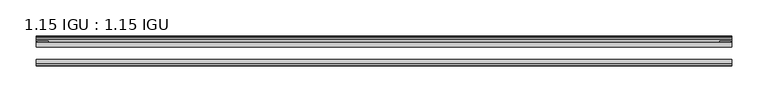
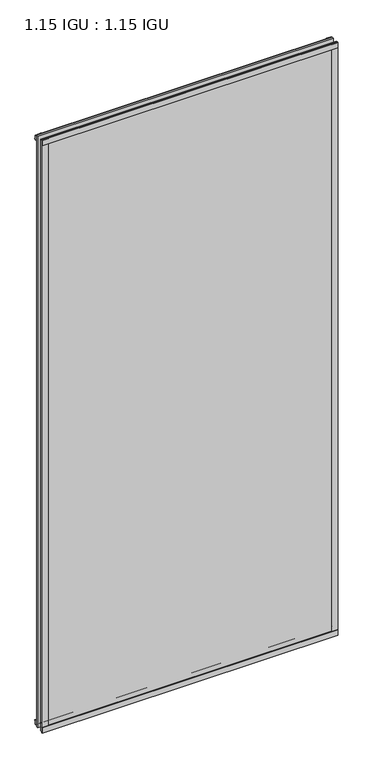
"""IFC4 building model written with IfcOpenShell, lengths in millimetres: plate geometry, 1.15 IGU : 1.15 IGU."""

from ifc_helpers import new_model, si_unit, point, frame, frame_2d, origin, place, context, project, spatial, polyline, circle_curve, trimmed, segment, composite_curve, outline, extrude, source, transform, mapped, element, save


def plate_1_15_igu_1_15_igu_82e26c2d(model_context):
    return source(origin(), model_context, "Body", "SweptSolid", [
        extrude(outline(polyline([(481.33, 0.0), (481.33, -6.2992), (-481.33, -6.2992), (-481.33, 0.0), (481.33, 0.0)])), frame((0.0, 0.0, -15.875), z_axis=(0.0, 0.0, 1.0), x_axis=(1.0, 0.0, 0.0)), (0.0, 0.0, 1.0), 2033.5830337),
        extrude(outline(polyline([(-481.33, -23.1648), (481.33, -23.1648), (481.33, -29.464), (-481.33, -29.464), (-481.33, -23.1648)])), frame((0.0, 0.0, -15.875), z_axis=(0.0, 0.0, 1.0), x_axis=(1.0, 0.0, 0.0)), (0.0, 0.0, 1.0), 2033.5830337),
        extrude(outline(polyline([(-481.33, -31.75), (-481.33, -29.464), (481.33, -29.464), (481.33, -31.75), (-481.33, -31.75)])), frame((0.0, 0.0, -19.05), z_axis=(0.0, 0.0, 1.0), x_axis=(1.0, 0.0, 0.0)), (0.0, 0.0, 1.0), 19.05),
        extrude(outline(composite_curve([segment(trimmed(circle_curve(frame_2d((13.6593785, 32.4202472)), 31.3046461), [point((0.0, 4.2528503))], [point((9.3980339, 1.406995))], True, "CARTESIAN"), True, "CONTINUOUS"), segment(polyline([(9.3980339, 1.406995), (9.3980339, 0.0254), (6.35, 0.0254), (6.35, -5.1625788), (7.7309478, -5.3970663), (6.35, -8.0073788), (6.35, -11.8471127)]), True, "CONTINUOUS"), segment(trimmed(circle_curve(frame_2d((5.334, -11.8471127)), 1.016), [point((6.35, -11.8471127))], [point((4.6284878, -12.5782136))], False, "CARTESIAN"), True, "CONTINUOUS"), segment(trimmed(circle_curve(frame_2d((-23.3689302, -41.5910901)), 40.3187601), [point((4.6284878, -12.5782136))], [point((0.0, -8.735413))], True, "CARTESIAN"), True, "CONTINUOUS"), segment(polyline([(0.0, -8.735413), (0.0, 4.2528503)]), True, "CONTINUOUS")], self_intersect=False)), frame((-481.33, 0.0, 0.0), z_axis=(1.0, 0.0, 0.0), x_axis=(0.0, 1.0, 0.0)), (0.0, 0.0, 1.0), 962.66),
        extrude(outline(composite_curve([segment(trimmed(circle_curve(frame_2d((-23.3689302, 2041.8747237)), 40.3187601), [point((0.0, 2009.0190467))], [point((4.9746073, 2013.1998864))], True, "CARTESIAN"), True, "CONTINUOUS"), segment(trimmed(circle_curve(frame_2d((5.8674, 2012.2966582)), 1.27), [point((4.9746073, 2013.1998864))], [point((7.1374, 2012.2966582))], False, "CARTESIAN"), True, "CONTINUOUS"), segment(polyline([(7.1374, 2012.2966582), (7.1374, 2007.8958505), (7.7309478, 2005.6806999), (6.35, 2005.4462125), (6.35, 2000.2582337), (9.3980339, 2000.2582337), (9.3980339, 1998.8766387)]), True, "CONTINUOUS"), segment(trimmed(circle_curve(frame_2d((13.6593785, 1967.8633864)), 31.3046461), [point((9.3980339, 1998.8766387))], [point((0.0, 1996.0307834))], True, "CARTESIAN"), True, "CONTINUOUS"), segment(polyline([(0.0, 1996.0307834), (0.0, 2009.0190467)]), True, "CONTINUOUS")], self_intersect=False)), frame((-481.33, 0.0, 0.0), z_axis=(1.0, 0.0, 0.0), x_axis=(0.0, 1.0, 0.0)), (0.0, 0.0, 1.0), 962.66),
        extrude(outline(polyline([(-481.33, -31.75), (-481.33, -29.464), (481.33, -29.464), (481.33, -31.75), (-481.33, -31.75)])), frame((0.0, 0.0, 2000.2582337), z_axis=(0.0, 0.0, 1.0), x_axis=(1.0, 0.0, 0.0)), (0.0, 0.0, 1.0), 19.05),
        extrude(outline(polyline([(462.28, -29.464), (481.33, -29.464), (481.33, -31.75), (462.28, -31.75), (462.28, -29.464)])), frame((0.0, 0.0, -15.875), z_axis=(0.0, 0.0, 1.0), x_axis=(1.0, 0.0, 0.0)), (0.0, 0.0, 1.0), 2033.5830337),
        extrude(outline(polyline([(480.1235, 2.2860088), (480.1235, 0.0021347), (464.2485, 0.0021347), (464.2485, 2.2860088), (480.1235, 2.2860088)])), frame((0.0, 0.0, -15.875), z_axis=(0.0, 0.0, 1.0), x_axis=(1.0, 0.0, 0.0)), (0.0, 0.0, 1.0), 2033.5830337),
        extrude(outline(polyline([(-481.33, -31.75), (-481.33, -29.464), (-462.28, -29.464), (-462.28, -31.75), (-481.33, -31.75)])), frame((0.0, 0.0, -15.875), z_axis=(0.0, 0.0, 1.0), x_axis=(1.0, 0.0, 0.0)), (0.0, 0.0, 1.0), 2033.5830337),
        extrude(outline(polyline([(-480.1235, 0.0), (-480.1235, 2.286), (-464.2485, 2.286), (-464.2485, 0.0), (-480.1235, 0.0)])), frame((0.0, 0.0, -15.875), z_axis=(0.0, 0.0, 1.0), x_axis=(1.0, 0.0, 0.0)), (0.0, 0.0, 1.0), 2033.5830337),
    ])


if __name__ == "__main__":
    model = new_model("IFC4")
    model_context = context("Model", 3, world=origin())
    ifc_project = project(units=[si_unit("LENGTHUNIT", "METRE", prefix="MILLI")], contexts=[model_context])
    site = spatial("IfcSite", under=ifc_project)
    building = spatial("IfcBuilding", under=site)
    placement = place(None, origin())
    plate_1_15_igu_1_15_igu_shape = plate_1_15_igu_1_15_igu_82e26c2d(model_context)
    element("IfcPlate", 1, ObjectType="1.15 IGU : 1.15 IGU", at=placement, inside=building, context=model_context, shape_type="MappedRepresentation", body=[
        mapped(plate_1_15_igu_1_15_igu_shape, transform((0.0, 0.0, 0.0), x_axis=(1.0, 0.0, 0.0), y_axis=(0.0, 1.0, 0.0), z_axis=(0.0, 0.0, 1.0))),
    ])
    save(model, "model.ifc")
